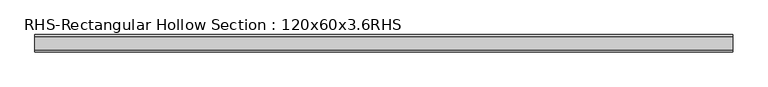
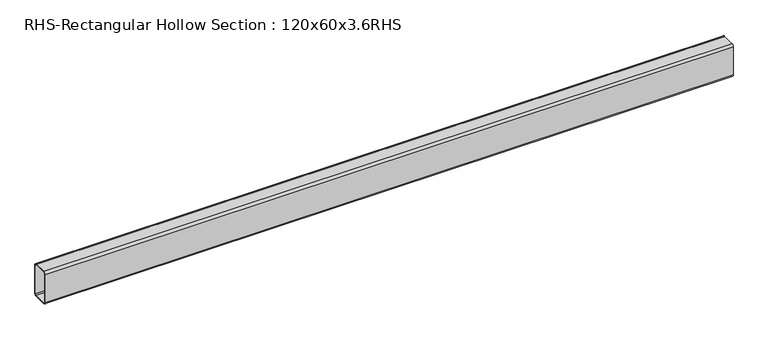
"""IFC4 building model written with IfcOpenShell, lengths in millimetres: beam geometry, RHS-Rectangular Hollow Section : 120x60x3.6RHS."""

from ifc_helpers import new_model, si_unit, point, frame, frame_2d, origin, place, context, project, spatial, polyline, circle_curve, trimmed, segment, composite_curve, outline, extrude, source, transform, mapped, element, save


def rhs_rectangular_hollow_section_120x60x3_6rhs_8f5b9187(model_context):
    return source(origin(), model_context, "Body", "SweptSolid", [
        extrude(outline(composite_curve([segment(polyline([(30.0, 52.8), (30.0, -52.8)]), True, "CONTINUOUS"), segment(trimmed(circle_curve(frame_2d((22.8, -52.8)), 7.2), [point((30.0, -52.8))], [point((22.8, -60.0))], False, "CARTESIAN"), True, "CONTINUOUS"), segment(polyline([(22.8, -60.0), (-22.8, -60.0)]), True, "CONTINUOUS"), segment(trimmed(circle_curve(frame_2d((-22.8, -52.8)), 7.2), [point((-22.8, -60.0))], [point((-30.0, -52.8))], False, "CARTESIAN"), True, "CONTINUOUS"), segment(polyline([(-30.0, -52.8), (-30.0, 52.8)]), True, "CONTINUOUS"), segment(trimmed(circle_curve(frame_2d((-22.8, 52.8)), 7.2), [point((-30.0, 52.8))], [point((-22.8, 60.0))], False, "CARTESIAN"), True, "CONTINUOUS"), segment(polyline([(-22.8, 60.0), (22.8, 60.0)]), True, "CONTINUOUS"), segment(trimmed(circle_curve(frame_2d((22.8, 52.8)), 7.2), [point((22.8, 60.0))], [point((30.0, 52.8))], False, "CARTESIAN"), True, "CONTINUOUS")], self_intersect=False), holes=[composite_curve([segment(trimmed(circle_curve(frame_2d((-22.8, 52.8)), 3.6), [point((-22.8, 56.4))], [point((-26.4, 52.8))], True, "CARTESIAN"), True, "CONTINUOUS"), segment(polyline([(-26.4, 52.8), (-26.4, -52.8)]), True, "CONTINUOUS"), segment(trimmed(circle_curve(frame_2d((-22.8, -52.8)), 3.6), [point((-26.4, -52.8))], [point((-22.8, -56.4))], True, "CARTESIAN"), True, "CONTINUOUS"), segment(polyline([(-22.8, -56.4), (22.8, -56.4)]), True, "CONTINUOUS"), segment(trimmed(circle_curve(frame_2d((22.8, -52.8)), 3.6), [point((22.8, -56.4))], [point((26.4, -52.8))], True, "CARTESIAN"), True, "CONTINUOUS"), segment(polyline([(26.4, -52.8), (26.4, 52.8)]), True, "CONTINUOUS"), segment(trimmed(circle_curve(frame_2d((22.8, 52.8)), 3.6), [point((26.4, 52.8))], [point((22.8, 56.4))], True, "CARTESIAN"), True, "CONTINUOUS"), segment(polyline([(22.8, 56.4), (-22.8, 56.4)]), True, "CONTINUOUS")], self_intersect=False)]), frame((-1297.5401681, 0.0, 0.0), z_axis=(1.0, 0.0, 0.0), x_axis=(0.0, 1.0, 0.0)), (0.0, 0.0, 1.0), 2426.0299379),
    ])


if __name__ == "__main__":
    model = new_model("IFC4")
    model_context = context("Model", 3, world=origin())
    ifc_project = project(units=[si_unit("LENGTHUNIT", "METRE", prefix="MILLI")], contexts=[model_context])
    site = spatial("IfcSite", under=ifc_project)
    building = spatial("IfcBuilding", under=site)
    placement = place(None, origin())
    rhs_rectangular_hollow_section_120x60x3_6rhs_shape = rhs_rectangular_hollow_section_120x60x3_6rhs_8f5b9187(model_context)
    element("IfcBeam", 1, ObjectType="RHS-Rectangular Hollow Section : 120x60x3.6RHS", at=placement, inside=building, context=model_context, shape_type="MappedRepresentation", body=[
        mapped(rhs_rectangular_hollow_section_120x60x3_6rhs_shape, transform((0.0, 0.0, 0.0), x_axis=(1.0, 0.0, 0.0), y_axis=(0.0, 1.0, 0.0), z_axis=(0.0, 0.0, 1.0))),
    ])
    save(model, "model.ifc")
